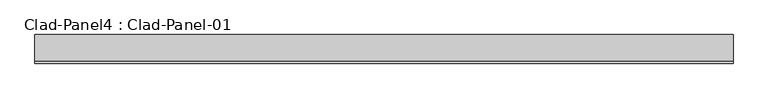
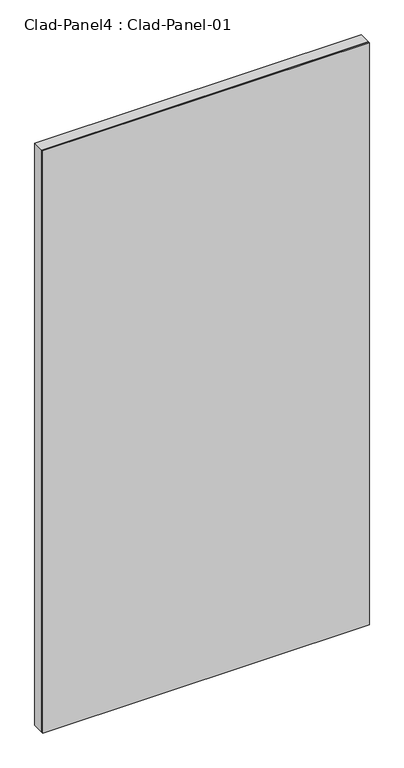
"""IFC4 building model written with IfcOpenShell, lengths in millimetres: proxy geometry, Clad-Panel4 : Clad-Panel-01."""

from ifc_helpers import new_model, si_unit, frame, origin, place, context, project, spatial, polyline, outline, extrude, source, transform, mapped, element, save


def clad_panel4_clad_panel_01_b9171857(model_context):
    return source(origin(), model_context, "Body", "SweptSolid", [
        extrude(outline(polyline([(-30114.1749894, -1653.0), (-28914.1749894, -1653.0), (-28914.1749894, -1698.0), (-30114.1749894, -1698.0), (-30114.1749894, -1653.0)])), frame((0.0, 0.0, 6520.0), z_axis=(0.0, 0.0, 1.0), x_axis=(1.0, 0.0, 0.0)), (0.0, 0.0, 1.0), 2260.0),
        extrude(outline(polyline([(-30114.1749894, -1698.0), (-28914.1749894, -1698.0), (-28914.1749894, -1703.0), (-30114.1749894, -1703.0), (-30114.1749894, -1698.0)])), frame((0.0, 0.0, 6520.0), z_axis=(0.0, 0.0, 1.0), x_axis=(1.0, 0.0, 0.0)), (0.0, 0.0, 1.0), 2260.0),
    ])


if __name__ == "__main__":
    model = new_model("IFC4")
    model_context = context("Model", 3, world=origin())
    ifc_project = project(units=[si_unit("LENGTHUNIT", "METRE", prefix="MILLI")], contexts=[model_context])
    site = spatial("IfcSite", under=ifc_project)
    building = spatial("IfcBuilding", under=site)
    placement = place(None, origin())
    clad_panel4_clad_panel_01_shape = clad_panel4_clad_panel_01_b9171857(model_context)
    element("IfcBuildingElementProxy", 1, Name="Clad-Panel4 : Clad-Panel-01", ObjectType="Clad-Panel4 : Clad-Panel-01", at=placement, inside=building, context=model_context, shape_type="MappedRepresentation", body=[
        mapped(clad_panel4_clad_panel_01_shape, transform((0.0, 0.0, 0.0), x_axis=(1.0, 0.0, 0.0), y_axis=(0.0, 1.0, 0.0), z_axis=(0.0, 0.0, 1.0))),
    ])
    save(model, "model.ifc")
